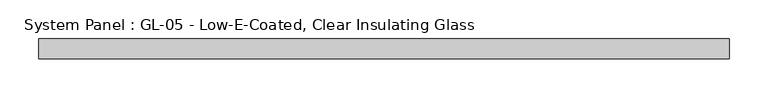
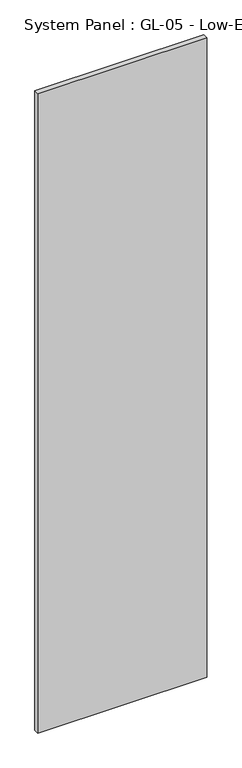
"""IFC4 building model written with IfcOpenShell, lengths in millimetres: plate geometry, System Panel : GL-05 - Low-E-Coated, Clear Insulating Glass."""

from ifc_helpers import new_model, si_unit, origin, origin_with_axes, place, context, project, spatial, polyline, outline, extrude, source, transform, mapped, element, save


def system_panel_gl_05_low_e_coated_clear_insulating_glass_b52cc5b0(model_context):
    return source(origin(), model_context, "Body", "SweptSolid", [
        extrude(outline(polyline([(444.5, -12.7), (-444.5, -12.7), (-444.5, 12.7), (444.5, 12.7), (444.5, -12.7)])), origin_with_axes(), (0.0, 0.0, 1.0), 3556.0),
    ])


if __name__ == "__main__":
    model = new_model("IFC4")
    model_context = context("Model", 3, world=origin())
    ifc_project = project(units=[si_unit("LENGTHUNIT", "METRE", prefix="MILLI")], contexts=[model_context])
    site = spatial("IfcSite", under=ifc_project)
    building = spatial("IfcBuilding", under=site)
    placement = place(None, origin())
    system_panel_gl_05_low_e_coated_clear_insulating_glass_shape = system_panel_gl_05_low_e_coated_clear_insulating_glass_b52cc5b0(model_context)
    element("IfcPlate", 1, ObjectType="System Panel : GL-05 - Low-E-Coated, Clear Insulating Glass", at=placement, inside=building, context=model_context, shape_type="MappedRepresentation", body=[
        mapped(system_panel_gl_05_low_e_coated_clear_insulating_glass_shape, transform((0.0, 0.0, 0.0), x_axis=(1.0, 0.0, 0.0), y_axis=(0.0, 1.0, 0.0), z_axis=(0.0, 0.0, 1.0))),
    ])
    save(model, "model.ifc")
